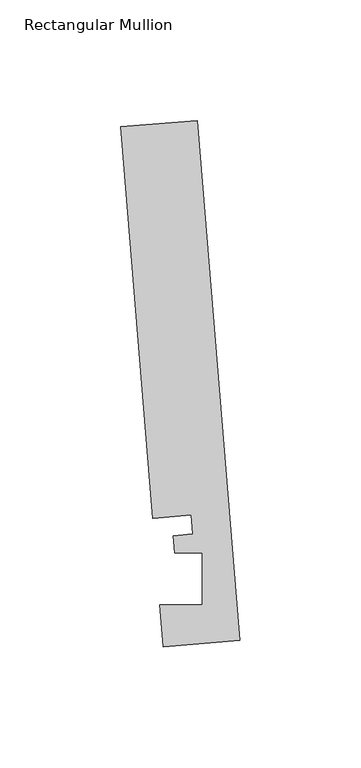
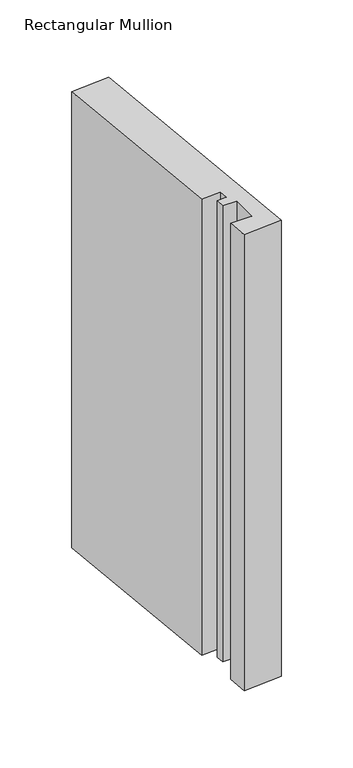
"""IFC4 building model written with IfcOpenShell, lengths in millimetres: member geometry, Rectangular Mullion."""

from ifc_helpers import new_model, si_unit, frame, origin, place, context, project, spatial, polyline, outline, extrude, source, transform, mapped, element, save


def rectangular_mullion_f0480198(model_context):
    return source(origin(), model_context, "Body", "SweptSolid", [
        extrude(outline(polyline([(-0.2190396, 2.6699364), (-31.8627302, 0.0739116), (-33.2772473, 17.315866), (-15.8506254, 17.315866), (-15.848851, 38.9474576), (-27.100463, 38.9474576), (-27.6861262, 46.0862742), (-19.7625461, 46.7363188), (-20.4084371, 54.6092691), (-36.2302824, 53.3112566), (-49.5364672, 215.5041572), (-17.8927766, 218.100182), (-0.2190396, 2.6699364)])), frame((0.0, 0.0, -397.1508477), z_axis=(0.0, 0.0, 1.0), x_axis=(1.0, 0.0, 0.0)), (0.0, 0.0, 1.0), 397.1508477),
    ])


if __name__ == "__main__":
    model = new_model("IFC4")
    model_context = context("Model", 3, world=origin())
    ifc_project = project(units=[si_unit("LENGTHUNIT", "METRE", prefix="MILLI")], contexts=[model_context])
    site = spatial("IfcSite", under=ifc_project)
    building = spatial("IfcBuilding", under=site)
    placement = place(None, origin())
    rectangular_mullion_shape = rectangular_mullion_f0480198(model_context)
    element("IfcMember", 1, ObjectType="Rectangular Mullion", at=placement, inside=building, context=model_context, shape_type="MappedRepresentation", body=[
        mapped(rectangular_mullion_shape, transform((0.0, 0.0, 0.0), x_axis=(1.0, 0.0, 0.0), y_axis=(0.0, 1.0, 0.0), z_axis=(0.0, 0.0, 1.0))),
    ])
    save(model, "model.ifc")
